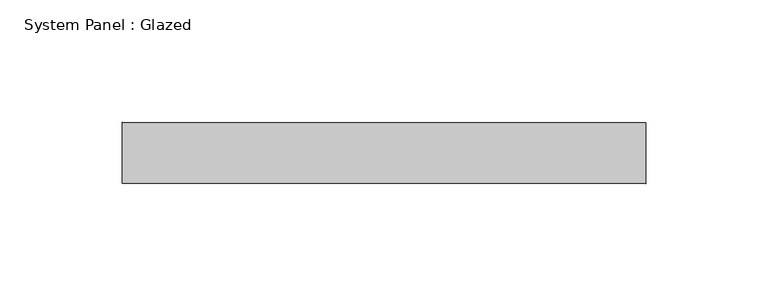
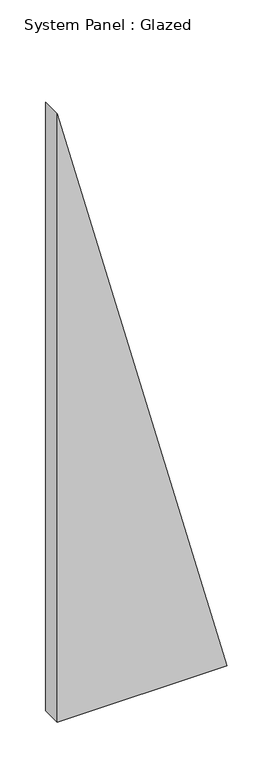
"""IFC4 building model written with IfcOpenShell, lengths in millimetres: plate geometry, System Panel : Glazed."""

from ifc_helpers import new_model, si_unit, frame, origin, place, context, project, spatial, polyline, outline, extrude, source, transform, mapped, element, save


def system_panel_glazed_399549f8(model_context):
    return source(origin(), model_context, "Body", "SweptSolid", [
        extrude(outline(polyline([(0.0, -107.142857), (0.0, 107.142857), (810.8108097, -107.142857), (0.0, -107.142857)])), frame((0.0, 24.5, 0.0), z_axis=(0.0, 1.0, 0.0), x_axis=(0.0, 0.0, 1.0)), (0.0, 0.0, 1.0), 25.0),
    ])


if __name__ == "__main__":
    model = new_model("IFC4")
    model_context = context("Model", 3, world=origin())
    ifc_project = project(units=[si_unit("LENGTHUNIT", "METRE", prefix="MILLI")], contexts=[model_context])
    site = spatial("IfcSite", under=ifc_project)
    building = spatial("IfcBuilding", under=site)
    placement = place(None, origin())
    system_panel_glazed_shape = system_panel_glazed_399549f8(model_context)
    element("IfcPlate", 1, ObjectType="System Panel : Glazed", at=placement, inside=building, context=model_context, shape_type="MappedRepresentation", body=[
        mapped(system_panel_glazed_shape, transform((0.0, 0.0, 0.0), x_axis=(1.0, 0.0, 0.0), y_axis=(0.0, 1.0, 0.0), z_axis=(0.0, 0.0, 1.0))),
    ])
    save(model, "model.ifc")
